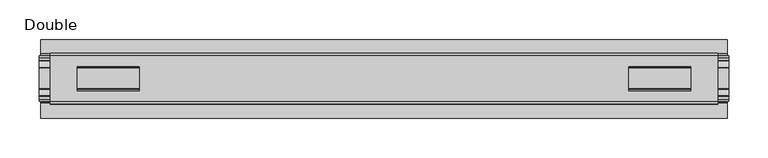
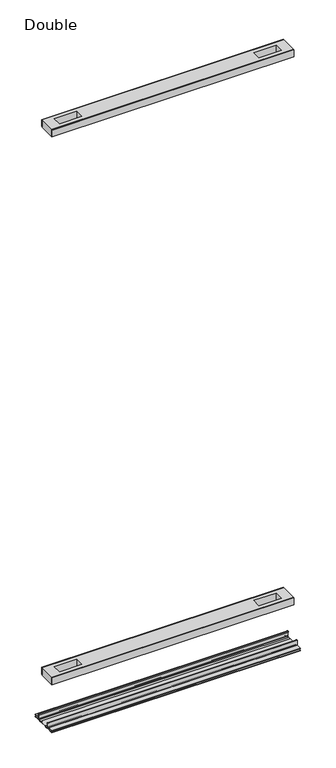
"""IFC4 building model written with IfcOpenShell, lengths in millimetres: proxy geometry, Double."""

from ifc_helpers import new_model, si_unit, point, frame, frame_2d, origin, place, context, project, spatial, polyline, circle_curve, trimmed, segment, composite_curve, outline, extrude, source, transform, mapped, element, save


def double_7368a986(model_context):
    return source(origin(), model_context, "Body", "SweptSolid", [
        extrude(outline(polyline([(425.0650989, -29.0068005), (425.0650989, -32.1817997), (-425.0650989, -32.1817997), (-425.0650989, -29.0068005), (425.0650989, -29.0068005)])), frame((0.0, 0.0, 2186.2851593), z_axis=(0.0, 0.0, 1.0), x_axis=(1.0, 0.0, 0.0)), (0.0, 0.0, 1.0), 25.3999939),
        extrude(outline(polyline([(425.0650989, 32.1817997), (425.0650989, 29.0068005), (-425.0650989, 29.0068005), (-425.0650989, 32.1817997), (425.0650989, 32.1817997)])), frame((0.0, 0.0, 2186.2851593), z_axis=(0.0, 0.0, 1.0), x_axis=(1.0, 0.0, 0.0)), (0.0, 0.0, 1.0), 25.3999939),
        extrude(outline(polyline([(425.0650989, 29.0068005), (425.0650989, -29.0068005), (-425.0650989, -29.0068005), (-425.0650989, 29.0068005), (425.0650989, 29.0068005)]), holes=[polyline([(390.6480863, 15.1130038), (311.6032744, 15.1130038), (311.6032744, -15.875003), (390.6480863, -15.875003), (390.6480863, 15.1130038)]), polyline([(-390.6480863, 15.1130038), (-390.6480863, -15.875003), (-311.6032744, -15.875003), (-311.6032744, 15.1130038), (-390.6480863, 15.1130038)])]), frame((0.0, 0.0, 2184.9851569), z_axis=(0.0, 0.0, 1.0), x_axis=(1.0, 0.0, 0.0)), (0.0, 0.0, 1.0), 27.9999988),
        extrude(outline(polyline([(425.0650989, -29.0068005), (425.0650989, -32.1817997), (-425.0650989, -32.1817997), (-425.0650989, -29.0068005), (425.0650989, -29.0068005)])), frame((0.0, 0.0, 149.8401622), z_axis=(0.0, 0.0, 1.0), x_axis=(1.0, 0.0, 0.0)), (0.0, 0.0, 1.0), 25.3999939),
        extrude(outline(polyline([(425.0650989, 32.1817997), (425.0650989, 29.0068005), (-425.0650989, 29.0068005), (-425.0650989, 32.1817997), (425.0650989, 32.1817997)])), frame((0.0, 0.0, 149.8401622), z_axis=(0.0, 0.0, 1.0), x_axis=(1.0, 0.0, 0.0)), (0.0, 0.0, 1.0), 25.3999939),
        extrude(outline(polyline([(425.0650989, 29.0068005), (425.0650989, -29.0068005), (-425.0650989, -29.0068005), (-425.0650989, 29.0068005), (425.0650989, 29.0068005)]), holes=[polyline([(390.6480863, 15.1130038), (311.6032744, 15.1130038), (311.6032744, -15.875003), (390.6480863, -15.875003), (390.6480863, 15.1130038)]), polyline([(-390.6480863, 15.1130038), (-390.6480863, -15.875003), (-311.6032744, -15.875003), (-311.6032744, 15.1130038), (-390.6480863, 15.1130038)])]), frame((0.0, 0.0, 148.4185847), z_axis=(0.0, 0.0, 1.0), x_axis=(1.0, 0.0, 0.0)), (0.0, 0.0, 1.0), 27.9999988),
        extrude(outline(composite_curve([segment(polyline([(-28.8162961, -7.7516037), (-28.8162961, 9.8607558)]), True, "CONTINUOUS"), segment(trimmed(circle_curve(frame_2d((-27.5970982, 9.8607558)), 1.2191979), [point((-28.8162961, 9.8607558))], [point((-26.3779003, 9.8607558))], False, "CARTESIAN"), True, "CONTINUOUS"), segment(polyline([(-26.3779003, 9.8607558), (-26.3779003, 5.9999563), (-27.6580769, 5.9999563), (-27.6580769, -7.7516037)]), True, "CONTINUOUS"), segment(trimmed(circle_curve(frame_2d((-26.6420561, -7.7516037)), 1.0160208), [point((-27.6580769, -7.7516037))], [point((-26.6485732, -8.7676036))], True, "CARTESIAN"), True, "CONTINUOUS"), segment(polyline([(-26.6485732, -8.7676036), (-22.7056226, -8.7676036), (-21.7922609, -8.968753)]), True, "CONTINUOUS"), segment(trimmed(circle_curve(frame_2d((-17.7673021, -6.1259382)), 4.9276657), [point((-21.7922609, -8.968753))], [point((-13.7423434, -8.968753))], True, "CARTESIAN"), True, "CONTINUOUS"), segment(polyline([(-13.7423434, -8.968753), (-12.8289726, -8.7676036), (13.2099722, -8.7676036), (14.123343, -8.968753)]), True, "CONTINUOUS"), segment(trimmed(circle_curve(frame_2d((18.1483018, -6.1259382)), 4.9276657), [point((14.123343, -8.968753))], [point((22.1732605, -8.968753))], True, "CARTESIAN"), True, "CONTINUOUS"), segment(polyline([(22.1732605, -8.968753), (23.0866222, -8.7676036), (27.0295728, -8.7676036)]), True, "CONTINUOUS"), segment(trimmed(circle_curve(frame_2d((27.0230557, -7.7516037)), 1.0160208), [point((27.0295728, -8.7676036))], [point((28.0390765, -7.7516037))], True, "CARTESIAN"), True, "CONTINUOUS"), segment(polyline([(28.0390765, -7.7516037), (28.0390765, 5.9999563), (26.7588999, 5.9999563), (26.7588999, 9.8607558)]), True, "CONTINUOUS"), segment(trimmed(circle_curve(frame_2d((27.9780978, 9.8607558)), 1.2191979), [point((26.7588999, 9.8607558))], [point((29.1972958, 9.8607558))], False, "CARTESIAN"), True, "CONTINUOUS"), segment(polyline([(29.1972958, 9.8607558), (29.1972958, -7.7516037)]), True, "CONTINUOUS"), segment(trimmed(circle_curve(frame_2d((27.0230557, -7.7516037)), 2.17424), [point((29.1972958, -7.7516037))], [point((27.0230557, -9.9258438))], False, "CARTESIAN"), True, "CONTINUOUS"), segment(polyline([(27.0230557, -9.9258438), (22.732069, -9.9258438)]), True, "CONTINUOUS"), segment(trimmed(circle_curve(frame_2d((18.1516545, -6.4800016)), 5.7318431), [point((22.732069, -9.9258438))], [point((13.57124, -9.9258438))], False, "CARTESIAN"), True, "CONTINUOUS"), segment(polyline([(13.57124, -9.9258438), (-13.1902404, -9.9258438)]), True, "CONTINUOUS"), segment(trimmed(circle_curve(frame_2d((-17.7706549, -6.4800016)), 5.7318431), [point((-13.1902404, -9.9258438))], [point((-22.3510694, -9.9258438))], False, "CARTESIAN"), True, "CONTINUOUS"), segment(polyline([(-22.3510694, -9.9258438), (-26.6420561, -9.9258438)]), True, "CONTINUOUS"), segment(trimmed(circle_curve(frame_2d((-26.6420561, -7.7516037)), 2.17424), [point((-26.6420561, -9.9258438))], [point((-28.8162961, -7.7516037))], False, "CARTESIAN"), True, "CONTINUOUS")], self_intersect=False)), frame((-439.1239898, 0.0, 0.0), z_axis=(1.0, 0.0, 0.0), x_axis=(0.0, 1.0, 0.0)), (0.0, 0.0, 1.0), 878.2479795),
        extrude(outline(composite_curve([segment(polyline([(-50.2668422, -13.9898438), (-50.2240211, -12.3388438), (-39.7827507, -12.3388438), (-39.7827507, -7.766844), (-50.2240211, -7.766844), (-50.2668422, -6.1158439), (-31.1784975, -6.1158439)]), True, "CONTINUOUS"), segment(trimmed(circle_curve(frame_2d((-31.1784975, -7.6398436)), 1.5239997), [point((-31.1784975, -6.1158439))], [point((-29.6544978, -7.6398436))], False, "CARTESIAN"), True, "CONTINUOUS"), segment(polyline([(-29.6544978, -7.6398436), (-29.6544978, -9.9258438), (-23.1058344, -9.9258438)]), True, "CONTINUOUS"), segment(trimmed(circle_curve(frame_2d((-17.7673021, -5.2268471)), 7.1119966), [point((-23.1058344, -9.9258438))], [point((-12.4287699, -9.9258438))], True, "CARTESIAN"), True, "CONTINUOUS"), segment(polyline([(-12.4287699, -9.9258438), (12.8097695, -9.9258438)]), True, "CONTINUOUS"), segment(trimmed(circle_curve(frame_2d((18.1483018, -5.2268471)), 7.1119966), [point((12.8097695, -9.9258438))], [point((23.486834, -9.9258438))], True, "CARTESIAN"), True, "CONTINUOUS"), segment(polyline([(23.486834, -9.9258438), (30.0354975, -9.9258438), (30.0354975, -7.7656583)]), True, "CONTINUOUS"), segment(trimmed(circle_curve(frame_2d((31.6864982, -7.7656583)), 1.6510007), [point((30.0354975, -7.7656583))], [point((31.6239218, -6.1158439))], False, "CARTESIAN"), True, "CONTINUOUS"), segment(polyline([(31.6239218, -6.1158439), (50.00625, -6.1158439), (50.00625, -7.766844), (40.1637503, -7.766844), (40.1637503, -12.3388438), (50.00625, -12.3388438), (50.00625, -13.9898438), (40.0367518, -13.9898438)]), True, "CONTINUOUS"), segment(trimmed(circle_curve(frame_2d((40.0367518, -12.4658438)), 1.524), [point((40.0367518, -13.9898438))], [point((38.5127519, -12.4658438))], False, "CARTESIAN"), True, "CONTINUOUS"), segment(polyline([(38.5127519, -12.4658438), (38.5127519, -7.766844), (31.686497, -7.766844), (31.686497, -10.0528438)]), True, "CONTINUOUS"), segment(trimmed(circle_curve(frame_2d((30.1624971, -10.0528438)), 1.524), [point((31.686497, -10.0528438))], [point((30.1624971, -11.5768438))], False, "CARTESIAN"), True, "CONTINUOUS"), segment(polyline([(30.1624971, -11.5768438), (23.6563549, -11.5768438)]), True, "CONTINUOUS"), segment(trimmed(circle_curve(frame_2d((18.1483018, -6.4968436)), 7.4930002), [point((23.6563549, -11.5768438))], [point((12.8904968, -11.8354331))], False, "CARTESIAN"), True, "CONTINUOUS"), segment(polyline([(12.8904968, -11.8354331), (-12.5094972, -11.8354331)]), True, "CONTINUOUS"), segment(trimmed(circle_curve(frame_2d((-17.7673021, -6.4968436)), 7.4930002), [point((-12.5094972, -11.8354331))], [point((-23.2753553, -11.5768438))], False, "CARTESIAN"), True, "CONTINUOUS"), segment(polyline([(-23.2753553, -11.5768438), (-29.7814974, -11.5768438)]), True, "CONTINUOUS"), segment(trimmed(circle_curve(frame_2d((-29.7814974, -10.0528438)), 1.524), [point((-29.7814974, -11.5768438))], [point((-31.3054974, -10.0528438))], False, "CARTESIAN"), True, "CONTINUOUS"), segment(polyline([(-31.3054974, -10.0528438), (-31.3054974, -7.766844), (-38.1317522, -7.766844), (-38.1317522, -12.4658438)]), True, "CONTINUOUS"), segment(trimmed(circle_curve(frame_2d((-39.6557522, -12.4658438)), 1.524), [point((-38.1317522, -12.4658438))], [point((-39.6557522, -13.9898438))], False, "CARTESIAN"), True, "CONTINUOUS"), segment(polyline([(-39.6557522, -13.9898438), (-50.2668422, -13.9898438)]), True, "CONTINUOUS")], self_intersect=False)), frame((-437.4729898, 0.0, 0.0), z_axis=(1.0, 0.0, 0.0), x_axis=(0.0, 1.0, 0.0)), (0.0, 0.0, 1.0), 874.9459795),
    ])


if __name__ == "__main__":
    model = new_model("IFC4")
    model_context = context("Model", 3, world=origin())
    ifc_project = project(units=[si_unit("LENGTHUNIT", "METRE", prefix="MILLI")], contexts=[model_context])
    site = spatial("IfcSite", under=ifc_project)
    building = spatial("IfcBuilding", under=site)
    placement = place(None, origin())
    double_shape = double_7368a986(model_context)
    element("IfcBuildingElementProxy", 1, Name="Double", ObjectType="Double", at=placement, inside=building, context=model_context, shape_type="MappedRepresentation", body=[
        mapped(double_shape, transform((0.0, 0.0, 0.0), x_axis=(1.0, 0.0, 0.0), y_axis=(0.0, 1.0, 0.0), z_axis=(0.0, 0.0, 1.0))),
    ])
    save(model, "model.ifc")
